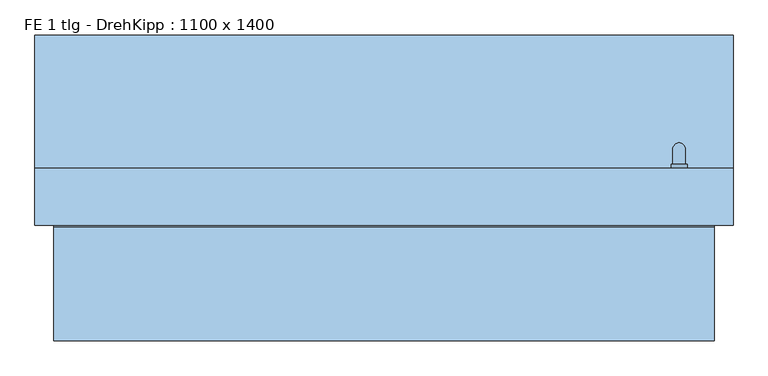
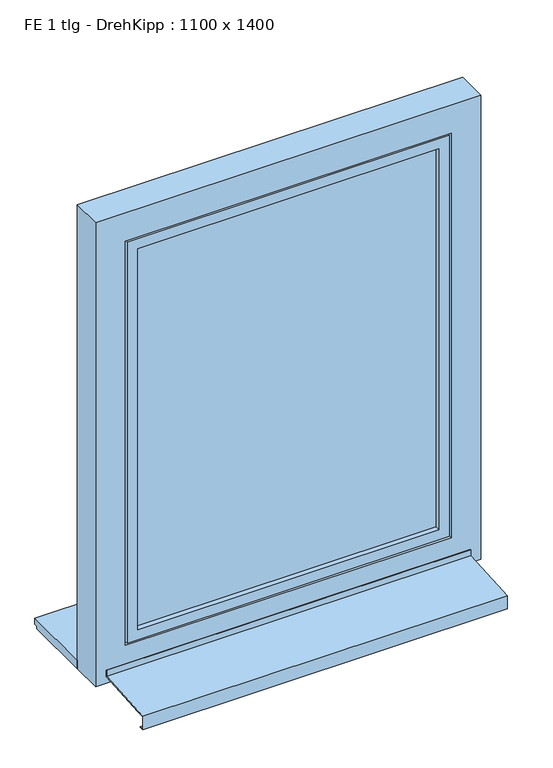
"""IFC4 building model written with IfcOpenShell, lengths in millimetres: window geometry, FE 1 tlg - DrehKipp : 1100 x 1400."""

import ifcopenshell
import ifcopenshell.guid

model = None  # the IFC model being written
_history = None  # IfcOwnerHistory: only IFC2X3 demands one
_inside = {}  # id of a spatial element -> (the spatial element, [elements in it])
_under = {}  # id of a project, library or spatial element -> (it, [spatial elements below it])
_declared = {}  # id of a project -> (the project, [libraries it declares])
_typed = {}  # id of a type object -> (the type object, [elements of that type])
_made_of = {}  # id of a material, layer set ... -> (it, [elements and type objects made of it])


def new_model(schema):
    """Start an empty IFC model of exactly this schema.

    Asked for "IFC4X3", IfcOpenShell would pick the latest addendum, in which some entities
    have other attributes; the version numbers below select the first issue.
    IFC2X3 requires an IfcOwnerHistory on every rooted entity: one is made here for all.
    """
    global model, _history
    if schema == "IFC4X3":
        model = ifcopenshell.file(schema_version=(4, 3, 0, 0))
    else:
        model = ifcopenshell.file(schema=schema)
    _inside.clear()
    _under.clear()
    _declared.clear()
    _typed.clear()
    _made_of.clear()
    _history = None
    if model.schema == "IFC2X3":
        org = make("IfcOrganization", Name="unknown")
        user = make(
            "IfcPersonAndOrganization",
            ThePerson=make("IfcPerson", FamilyName="unknown"),
            TheOrganization=org,
        )
        app = make(
            "IfcApplication",
            ApplicationDeveloper=org,
            Version="unknown",
            ApplicationFullName="unknown",
            ApplicationIdentifier="unknown",
        )
        _history = make(
            "IfcOwnerHistory",
            OwningUser=user,
            OwningApplication=app,
            ChangeAction="ADDED",
            CreationDate=0,
        )
    return model


def make(cls, **values):
    """One entity of the class cls with the attributes given. An attribute that is None is left unset."""
    return model.create_entity(
        cls, **{name: value for name, value in values.items() if value is not None}
    )


def rooted(cls, **values):
    """An entity with a GlobalId (a new one), such as an element, a storey or a relation."""
    return make(cls, GlobalId=ifcopenshell.guid.new(), OwnerHistory=_history, **values)


def si_unit(unit_type, name, prefix=None):
    """IfcSIUnit, for example si_unit("LENGTHUNIT", "METRE", prefix="MILLI")."""
    return make("IfcSIUnit", UnitType=unit_type, Prefix=prefix, Name=name)


def assignment(units):
    """IfcUnitAssignment: the units of a project."""
    return None if units is None else make("IfcUnitAssignment", Units=units)


def point(xyz):
    """IfcCartesianPoint."""
    return None if xyz is None else make("IfcCartesianPoint", Coordinates=xyz)


def direction(xyz):
    """IfcDirection."""
    return None if xyz is None else make("IfcDirection", DirectionRatios=xyz)


def frame(location, z_axis=None, x_axis=None):
    """IfcAxis2Placement3D, a coordinate frame: its origin and axes. An axis left out is left unset."""
    return make(
        "IfcAxis2Placement3D",
        Location=point(location),
        Axis=direction(z_axis),
        RefDirection=direction(x_axis),
    )


def origin():
    """The frame at (0, 0, 0) with its axes left unset."""
    return frame((0.0, 0.0, 0.0))


def place(relative_to, where):
    """IfcLocalPlacement: puts the frame where relative to a parent placement (None: the world)."""
    return make(
        "IfcLocalPlacement", PlacementRelTo=relative_to, RelativePlacement=where
    )


def context(
    kind, dimensions, precision=None, world=None, true_north=None, identifier=None
):
    """IfcGeometricRepresentationContext, for example the 3D "Model" context."""
    return make(
        "IfcGeometricRepresentationContext",
        ContextIdentifier=identifier,
        ContextType=kind,
        CoordinateSpaceDimension=dimensions,
        Precision=precision,
        WorldCoordinateSystem=world,
        TrueNorth=true_north,
    )


def project(units=None, contexts=None):
    """IfcProject with its units and contexts."""
    return rooted(
        "IfcProject",
        Name="project",
        RepresentationContexts=contexts,
        UnitsInContext=assignment(units),
    )


def spatial(cls, under=None, at=None, **own):
    """A site, building, storey or space (cls), placed at a placement, below another one or the project."""
    s = rooted(cls, ObjectPlacement=at, **own)
    if under is not None:
        _under.setdefault(under.id(), (under, []))[1].append(s)
    return s


def polyline(points):
    """IfcPolyline through the points."""
    return make("IfcPolyline", Points=[point(p) for p in points])


def circle_curve(where, radius):
    """IfcCircle in the frame where."""
    return make("IfcCircle", Position=where, Radius=radius)


def ellipse_curve(where, semi_axis1, semi_axis2):
    """IfcEllipse in the frame where."""
    return make(
        "IfcEllipse", Position=where, SemiAxis1=semi_axis1, SemiAxis2=semi_axis2
    )


def outline(outer, holes=None, kind="AREA"):
    """IfcArbitraryClosedProfileDef: a profile drawn as a closed curve; with holes, ...WithVoids."""
    if holes is None:
        return make("IfcArbitraryClosedProfileDef", ProfileType=kind, OuterCurve=outer)
    return make(
        "IfcArbitraryProfileDefWithVoids",
        ProfileType=kind,
        OuterCurve=outer,
        InnerCurves=holes,
    )


def extrude(swept, where, along, depth):
    """IfcExtrudedAreaSolid: the profile swept, set in the frame where, extruded along a direction by depth."""
    return make(
        "IfcExtrudedAreaSolid",
        SweptArea=swept,
        Position=where,
        ExtrudedDirection=direction(along),
        Depth=depth,
    )


def faces_of(points, faces, orient=None, outer=None):
    """IfcFace entities. A face is a list of loops; a loop is a list of indices into points, from 0.

    orient and outer hold one flag for each loop. By default every Orientation is true, the
    first loop of a face is its IfcFaceOuterBound and the others are IfcFaceBound.
    """
    made = []
    for i, loops in enumerate(faces):
        bounds = []
        for j, loop in enumerate(loops):
            is_outer = j == 0 if outer is None else outer[i][j]
            bounds.append(
                make(
                    "IfcFaceOuterBound" if is_outer else "IfcFaceBound",
                    Bound=make("IfcPolyLoop", Polygon=[points[k] for k in loop]),
                    Orientation=True if orient is None else orient[i][j],
                )
            )
        made.append(make("IfcFace", Bounds=bounds))
    return made


def faceted_brep(points, faces, orient=None, outer=None, voids=None):
    """IfcFacetedBrep: a solid bounded by flat faces; with voids (closed shells), ...WithVoids."""
    shared = [point(p) for p in points]
    hull = make("IfcClosedShell", CfsFaces=faces_of(shared, faces, orient, outer))
    if voids is None:
        return make("IfcFacetedBrep", Outer=hull)
    return make(
        "IfcFacetedBrepWithVoids",
        Outer=hull,
        Voids=[
            make(cls, CfsFaces=faces_of(shared, fs, o, b)) for cls, fs, o, b in voids
        ],
    )


def shape(context_of_items, identifier, shape_type, items):
    """IfcShapeRepresentation: the items that make up one representation, for example the "Body"."""
    return make(
        "IfcShapeRepresentation",
        ContextOfItems=context_of_items,
        RepresentationIdentifier=identifier,
        RepresentationType=shape_type,
        Items=items,
    )


def source(mapping_origin, context_of_items, identifier, shape_type, items):
    """IfcRepresentationMap: a shape defined once, which mapped items show again and again."""
    return make(
        "IfcRepresentationMap",
        MappingOrigin=mapping_origin,
        MappedRepresentation=shape(context_of_items, identifier, shape_type, items),
    )


def transform(
    local_origin,
    x_axis=None,
    y_axis=None,
    z_axis=None,
    scale=None,
    scale2=None,
    scale3=None,
    uniform=True,
):
    """IfcCartesianTransformationOperator3D, or its non-uniform kind. x_axis, y_axis, z_axis: its Axis1, 2, 3."""
    if uniform:
        return make(
            "IfcCartesianTransformationOperator3D",
            Axis1=direction(x_axis),
            Axis2=direction(y_axis),
            LocalOrigin=point(local_origin),
            Scale=scale,
            Axis3=direction(z_axis),
        )
    return make(
        "IfcCartesianTransformationOperator3DnonUniform",
        Axis1=direction(x_axis),
        Axis2=direction(y_axis),
        LocalOrigin=point(local_origin),
        Scale=scale,
        Axis3=direction(z_axis),
        Scale2=scale2,
        Scale3=scale3,
    )


def mapped(mapping_source, mapping_target):
    """IfcMappedItem: shows the shape of a source again, moved by a transform."""
    return make(
        "IfcMappedItem", MappingSource=mapping_source, MappingTarget=mapping_target
    )


def made_of(thing, what):
    """Note that an element or type object is made of a material, layer set ...; save() writes the relation."""
    if what is not None:
        _made_of.setdefault(what.id(), (what, []))[1].append(thing)
    return thing


def element(
    cls,
    number,
    at=None,
    inside=None,
    cuts=None,
    type_object=None,
    material=None,
    context=None,
    identifier="Body",
    shape_type=None,
    held_by="IfcProductDefinitionShape",
    body=None,
    shapes=None,
    **own,
):
    """One element of the class cls, such as IfcWall. Its Tag is "e" and its number.

    at: its placement. inside: the storey or other place that contains it. cuts: it is an
    opening in that element (IfcRelVoidsElement). A single representation is given by context,
    identifier, shape_type and body (its items); several are given by shapes. held_by: the class
    of the entity that holds the representations. save() writes the other relations.
    """
    e = rooted(cls, Tag="e%d" % number, ObjectPlacement=at, **own)
    if body is not None:
        shapes = [shape(context, identifier, shape_type, body)]
    if shapes is not None:
        e.Representation = make(held_by, Representations=shapes)
    if inside is not None:
        _inside.setdefault(inside.id(), (inside, []))[1].append(e)
    if cuts is not None:
        rooted(
            "IfcRelVoidsElement", RelatingBuildingElement=cuts, RelatedOpeningElement=e
        )
    if type_object is not None:
        _typed.setdefault(type_object.id(), (type_object, []))[1].append(e)
    return made_of(e, material)


def aggregate(whole, parts):
    """IfcRelAggregates: a whole, such as a stair, and the parts it consists of."""
    return rooted("IfcRelAggregates", RelatingObject=whole, RelatedObjects=parts)


def save(model, path):
    """Write the relations noted so far, then the file.

    IfcRelAggregates (storeys below a building ...), IfcRelContainedInSpatialStructure (elements
    in a storey), IfcRelDefinesByType, IfcRelAssociatesMaterial and IfcRelDeclares: one each for
    every whole, place, type object, material and project.
    """
    for whole, parts in _under.values():
        aggregate(whole, parts)
    for where, things in _inside.values():
        rooted(
            "IfcRelContainedInSpatialStructure",
            RelatedElements=things,
            RelatingStructure=where,
        )
    for kind, things in _typed.values():
        rooted("IfcRelDefinesByType", RelatedObjects=things, RelatingType=kind)
    for what, things in _made_of.values():
        rooted("IfcRelAssociatesMaterial", RelatedObjects=things, RelatingMaterial=what)
    for by, libraries in _declared.values():
        rooted("IfcRelDeclares", RelatingContext=by, RelatedDefinitions=libraries)
    model.write(path)


def plane_surface(at):
    """IfcPlane: the flat surface through the origin of the frame at, square to its z axis."""
    return make("IfcPlane", Position=at)


def cylinder_surface(at, radius):
    """IfcCylindricalSurface: all points at the distance radius from the z axis of the frame at."""
    return make("IfcCylindricalSurface", Position=at, Radius=radius)


def advanced_brep(points, edges, surfaces, faces):
    """IfcAdvancedBrep: a solid bounded by faces that lie on surfaces and meet in shared edges.

    An edge is (start, end): straight between two places in points (the first is 0);
    or (start, end, curve); or (start, end, curve, False) where it runs against its curve.
    A face is (place in surfaces, loops), or (place, loops, False) where it looks against
    its surface's normal. A loop lists edges by number (the first is 1), with a minus sign
    where the edge is run from its end to its start. The first loop is the outer one.
    """
    corners = [point(p) for p in points]
    vertices = [make("IfcVertexPoint", VertexGeometry=c) for c in corners]
    made = []
    for start, end, *more in edges:
        made.append(
            make(
                "IfcEdgeCurve",
                EdgeStart=vertices[start],
                EdgeEnd=vertices[end],
                EdgeGeometry=more[0] if more else make("IfcPolyline", Points=[corners[start], corners[end]]),
                SameSense=more[1] if len(more) > 1 else True,
            )
        )
    hull = []
    for where, loops, *sense in faces:
        bounds = []
        for j, loop in enumerate(loops):
            ring = [make("IfcOrientedEdge", EdgeElement=made[abs(k) - 1], Orientation=k > 0) for k in loop]
            bounds.append(
                make(
                    "IfcFaceOuterBound" if j == 0 else "IfcFaceBound",
                    Bound=make("IfcEdgeLoop", EdgeList=ring),
                    Orientation=True,
                )
            )
        hull.append(make("IfcAdvancedFace", Bounds=bounds, FaceSurface=surfaces[where], SameSense=sense[0] if sense else True))
    return make("IfcAdvancedBrep", Outer=make("IfcClosedShell", CfsFaces=hull))


def fe_1_tlg_drehkipp_1100_x_1400_a7eba845(model_context):
    return source(origin(), model_context, "Body", "SolidModel", [
        advanced_brep(
        [(452.5, 20.0, 1572.5), (452.5, 20.0, 1555.0), (452.5, 20.0, 1537.5), (477.5, 20.0, 1537.5), (477.5, 20.0, 1555.0), (477.5, 20.0, 1572.5), (475.0, 50.0, 1555.0), (455.0, 50.0, 1555.0), (455.0, 26.0, 1555.0), (475.0, 26.0, 1555.0), (475.0, 50.0, 1435.0), (455.0, 50.0, 1435.0), (452.5, 26.0, 1572.5), (477.5, 26.0, 1572.5), (477.5, 26.0, 1555.0), (477.5, 26.0, 1537.5), (452.5, 26.0, 1537.5), (452.5, 26.0, 1555.0)],
        [
            (0, 1),
            (1, 2),
            (2, 3, circle_curve(frame((465.0, 20.0, 1537.5), z_axis=(0.0, -1.0, 0.0), x_axis=(-1.0, 0.0, 0.0)), 12.5)),
            (3, 4),
            (4, 5),
            (5, 0, circle_curve(frame((465.0, 20.0, 1572.5), z_axis=(0.0, -1.0, 0.0), x_axis=(-1.0, 0.0, 0.0)), 12.5)),
            (6, 7, ellipse_curve(frame((465.0, 50.0, 1555.0), z_axis=(0.0, -0.7071067811865498, 0.7071067811865451), x_axis=(0.0, -0.7071067811865452, -0.7071067811865497)), 14.1421356, 10.0)),
            (7, 8),
            (8, 9, circle_curve(frame((465.0, 26.0, 1555.0), z_axis=(0.0, 1.0, 0.0), x_axis=(-1.0, 0.0, 0.0)), 10.0)),
            (9, 6),
            (7, 6, ellipse_curve(frame((465.0, 50.0, 1555.0), z_axis=(0.0, -0.7071067811865498, 0.7071067811865451), x_axis=(0.0, -0.7071067811865452, -0.7071067811865497)), 14.1421356, 10.0)),
            (9, 8, circle_curve(frame((465.0, 26.0, 1555.0), z_axis=(0.0, 1.0, 0.0), x_axis=(-1.0, 0.0, 0.0)), 10.0)),
            (10, 11, circle_curve(frame((465.0, 50.0, 1435.0), z_axis=(0.0, 0.0, -1.0), x_axis=(-1.0, 0.0, 0.0)), 10.0)),
            (11, 10, circle_curve(frame((465.0, 50.0, 1435.0), z_axis=(0.0, 0.0, -1.0), x_axis=(-1.0, 0.0, 0.0)), 10.0)),
            (6, 10),
            (11, 7),
            (12, 13, circle_curve(frame((465.0, 26.0, 1572.5), z_axis=(0.0, 1.0, 0.0), x_axis=(-1.0, 0.0, 0.0)), 12.5)),
            (13, 14),
            (14, 15),
            (15, 16, circle_curve(frame((465.0, 26.0, 1537.5), z_axis=(0.0, 1.0, 0.0), x_axis=(-1.0, 0.0, 0.0)), 12.5)),
            (16, 17),
            (17, 12),
            (12, 0),
            (5, 13),
            (4, 14),
            (3, 15),
            (2, 16),
            (1, 17),
        ],
        [
            plane_surface(frame((465.0, 20.0, 1555.0), z_axis=(0.0, -1.0, 0.0), x_axis=(-1.0, 0.0, 0.0))),
            cylinder_surface(frame((465.0, 20.0, 1555.0), z_axis=(0.0, -1.0, 0.0), x_axis=(-1.0, 0.0, 0.0)), 10.0),
            plane_surface(frame((465.0, 50.0, 1435.0), z_axis=(0.0, 0.0, -1.0), x_axis=(-1.0, 0.0, 0.0))),
            cylinder_surface(frame((465.0, 50.0, 1555.0), z_axis=(0.0, 0.0, 1.0), x_axis=(-1.0, 0.0, 0.0)), 10.0),
            plane_surface(frame((452.5, 26.0, 1572.5), z_axis=(0.0, 1.0, 0.0), x_axis=(0.0, 0.0, 1.0))),
            cylinder_surface(frame((465.0, 20.0, 1572.5), z_axis=(0.0, 1.0, 0.0), x_axis=(-1.0, 0.0, 0.0)), 12.5),
            plane_surface(frame((477.5, 26.0, 1572.5), z_axis=(1.0, 0.0, 0.0), x_axis=(0.0, -1.0, 0.0))),
            plane_surface(frame((477.5, 26.0, 1555.0), z_axis=(1.0, 0.0, 0.0), x_axis=(0.0, -1.0, 0.0))),
            cylinder_surface(frame((465.0, 20.0, 1537.5), z_axis=(0.0, 1.0, 0.0), x_axis=(-1.0, 0.0, 0.0)), 12.5),
            plane_surface(frame((452.5, 26.0, 1537.5), z_axis=(-1.0, 0.0, 0.0), x_axis=(0.0, -1.0, 0.0))),
            plane_surface(frame((452.5, 26.0, 1555.0), z_axis=(-1.0, 0.0, 0.0), x_axis=(0.0, -1.0, 0.0))),
        ],
        [
            (0, [[1, 2, 3, 4, 5, 6]]),
            (1, [[7, 8, 9, 10]]),
            (1, [[11, -10, 12, -8]]),
            (2, [[13, 14]]),
            (3, [[-7, 15, -14, 16]]),
            (3, [[-11, -16, -13, -15]]),
            (4, [[17, 18, 19, 20, 21, 22], [-9, -12]]),
            (5, [[-17, 23, -6, 24]]),
            (6, [[-18, -24, -5, 25]]),
            (7, [[-19, -25, -4, 26]]),
            (8, [[-20, -26, -3, 27]]),
            (9, [[-21, -27, -2, 28]]),
            (10, [[-22, -28, -1, -23]]),
        ],
    ),
        faceted_brep([(-430.0, 20.0, 2130.0), (-430.0, -70.0, 2130.0), (-430.0, -70.0, 980.0), (-430.0, 20.0, 980.0), (-460.0, -70.0, 950.0), (460.0, -70.0, 950.0), (460.0, -70.0, 2160.0), (-460.0, -70.0, 2160.0), (430.0, -70.0, 2130.0), (430.0, -70.0, 980.0), (430.0, 20.0, 980.0), (-500.0, 20.0, 2200.0), (500.0, 20.0, 2200.0), (500.0, 20.0, 910.0), (-500.0, 20.0, 910.0), (430.0, 20.0, 2130.0), (-500.0, 5.0, 2200.0), (-500.0, 5.0, 910.0), (500.0, 5.0, 910.0), (500.0, 5.0, 2200.0), (-485.0, 5.0, 2185.0), (485.0, 5.0, 2185.0), (485.0, 5.0, 925.0), (-485.0, 5.0, 925.0), (-485.0, -25.0, 2185.0), (-485.0, -25.0, 925.0), (485.0, -25.0, 925.0), (485.0, -25.0, 2185.0), (-475.0, -25.0, 2175.0), (475.0, -25.0, 2175.0), (475.0, -25.0, 935.0), (-475.0, -25.0, 935.0), (-475.0, -55.0, 2175.0), (-475.0, -55.0, 935.0), (475.0, -55.0, 935.0), (475.0, -55.0, 2175.0), (-460.0, -55.0, 2160.0), (460.0, -55.0, 2160.0), (460.0, -55.0, 950.0), (-460.0, -55.0, 950.0)], [[[0, 1, 2, 3]], [[4, 5, 6, 7], [1, 8, 9, 2]], [[3, 2, 9, 10]], [[11, 12, 13, 14], [3, 10, 15, 0]], [[16, 11, 14, 17]], [[17, 14, 13, 18]], [[17, 18, 19, 16], [20, 21, 22, 23]], [[24, 20, 23, 25]], [[25, 23, 22, 26]], [[25, 26, 27, 24], [28, 29, 30, 31]], [[32, 28, 31, 33]], [[33, 31, 30, 34]], [[33, 34, 35, 32], [36, 37, 38, 39]], [[7, 36, 39, 4]], [[4, 39, 38, 5]], [[10, 9, 8, 15]], [[18, 13, 12, 19]], [[26, 22, 21, 27]], [[34, 30, 29, 35]], [[5, 38, 37, 6]], [[15, 8, 1, 0]], [[19, 12, 11, 16]], [[27, 21, 20, 24]], [[35, 29, 28, 32]], [[6, 37, 36, 7]]]),
        extrude(outline(polyline([(-430.0, -55.0), (-430.0, -11.0), (430.0, -11.0), (430.0, -55.0), (-430.0, -55.0)])), frame((0.0, 0.0, 980.0), z_axis=(0.0, 0.0, 1.0), x_axis=(1.0, 0.0, 0.0)), (0.0, 0.0, 1.0), 1150.0),
        faceted_brep([(-520.0, -252.0, 860.6252434), (520.0, -252.0, 860.6252434), (520.0, -230.0, 862.0002434), (520.0, -72.0, 871.8752434), (-520.0, -72.0, 871.8752434), (-520.0, -230.0, 862.0002434), (-520.0, -252.0, 820.6252434), (520.0, -252.0, 820.6252434), (-520.0, -240.0, 820.6252434), (520.0, -240.0, 820.6252434), (-520.0, -240.0, 822.6252434), (520.0, -240.0, 822.6252434), (-520.0, -250.0, 822.6252434), (520.0, -250.0, 822.6252434), (-520.0, -250.0, 858.75), (520.0, -250.0, 858.75), (-520.0, -230.0, 860.0), (-520.0, -70.0, 870.0), (520.0, -70.0, 870.0), (520.0, -230.0, 860.0), (-520.0, -70.0, 890.0), (520.0, -70.0, 890.0), (-520.0, -72.0, 890.0), (520.0, -72.0, 890.0)], [[[0, 1, 2, 3, 4, 5]], [[6, 7, 1, 0]], [[8, 9, 7, 6]], [[10, 11, 9, 8]], [[12, 13, 11, 10]], [[14, 15, 13, 12]], [[16, 17, 18, 19, 15, 14]], [[20, 21, 18, 17]], [[22, 23, 21, 20]], [[4, 3, 23, 22]], [[16, 14, 12, 10, 8, 6, 0, 5]], [[19, 18, 21, 23, 3, 2]], [[5, 4, 22, 20, 17, 16]], [[2, 1, 7, 9, 11, 13, 15, 19]]]),
        faceted_brep([(550.0, -70.0, 850.0), (-550.0, -70.0, 850.0), (-550.0, 20.0, 850.0), (550.0, 20.0, 850.0), (550.0, -70.0, 2250.0), (550.0, 20.0, 2250.0), (-550.0, 20.0, 2250.0), (505.0, 20.0, 2205.0), (-505.0, 20.0, 2205.0), (-505.0, 20.0, 905.0), (505.0, 20.0, 905.0), (-550.0, -70.0, 2250.0), (465.0, -70.0, 945.0), (-465.0, -70.0, 945.0), (-465.0, -70.0, 2165.0), (465.0, -70.0, 2165.0), (465.0, -55.0, 2165.0), (465.0, -55.0, 945.0), (-465.0, -55.0, 945.0), (-465.0, -55.0, 2165.0), (505.0, 5.0, 2205.0), (505.0, 5.0, 905.0), (-505.0, 5.0, 905.0), (-505.0, 5.0, 2205.0), (490.0, 5.0, 2190.0), (-490.0, 5.0, 2190.0), (-490.0, 5.0, 920.0), (490.0, 5.0, 920.0), (490.0, -25.0, 920.0), (-490.0, -25.0, 920.0), (-490.0, -25.0, 2190.0), (490.0, -25.0, 2190.0), (480.0, -25.0, 2180.0), (-480.0, -25.0, 2180.0), (-480.0, -25.0, 930.0), (480.0, -25.0, 930.0), (480.0, -55.0, 930.0), (-480.0, -55.0, 930.0), (-480.0, -55.0, 2180.0), (480.0, -55.0, 2180.0)], [[[0, 1, 2, 3]], [[4, 0, 3, 5]], [[5, 3, 2, 6], [7, 8, 9, 10]], [[6, 2, 1, 11]], [[11, 1, 0, 4], [12, 13, 14, 15]], [[12, 15, 16, 17]], [[18, 19, 14, 13]], [[17, 18, 13, 12]], [[20, 7, 10, 21]], [[10, 9, 22, 21]], [[9, 8, 23, 22]], [[21, 22, 23, 20], [24, 25, 26, 27]], [[28, 29, 30, 31], [32, 33, 34, 35]], [[31, 24, 27, 28]], [[27, 26, 29, 28]], [[36, 37, 38, 39], [16, 19, 18, 17]], [[39, 32, 35, 36]], [[35, 34, 37, 36]], [[26, 25, 30, 29]], [[34, 33, 38, 37]], [[4, 5, 6, 11]], [[20, 23, 8, 7]], [[31, 30, 25, 24]], [[39, 38, 33, 32]], [[15, 14, 19, 16]]]),
        extrude(outline(polyline([(230.0, 875.0), (230.0, 857.0), (220.0, 857.0), (220.0, 850.0), (20.0, 850.0), (20.0, 875.0), (230.0, 875.0)])), frame((-550.0, 0.0, 0.0), z_axis=(1.0, 0.0, 0.0), x_axis=(0.0, 1.0, 0.0)), (0.0, 0.0, 1.0), 1100.0),
    ])


if __name__ == "__main__":
    model = new_model("IFC4")
    model_context = context("Model", 3, world=origin())
    ifc_project = project(units=[si_unit("LENGTHUNIT", "METRE", prefix="MILLI")], contexts=[model_context])
    site = spatial("IfcSite", under=ifc_project)
    building = spatial("IfcBuilding", under=site)
    placement = place(None, origin())
    fe_1_tlg_drehkipp_1100_x_1400_shape = fe_1_tlg_drehkipp_1100_x_1400_a7eba845(model_context)
    element("IfcWindow", 1, ObjectType="FE 1 tlg - DrehKipp : 1100 x 1400", at=placement, inside=building, context=model_context, shape_type="MappedRepresentation", body=[
        mapped(fe_1_tlg_drehkipp_1100_x_1400_shape, transform((0.0, 0.0, 0.0), x_axis=(1.0, 0.0, 0.0), y_axis=(0.0, 1.0, 0.0), z_axis=(0.0, 0.0, 1.0))),
    ])
    save(model, "model.ifc")
